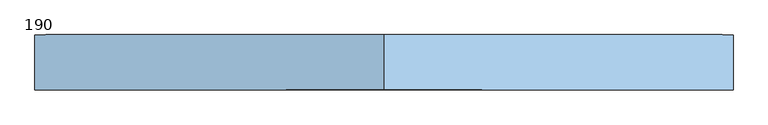
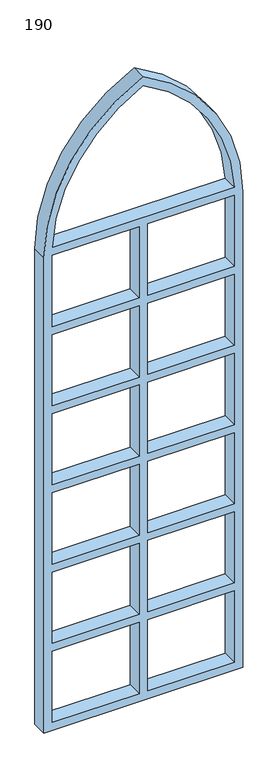
"""IFC4 building model written with IfcOpenShell, lengths in millimetres: window geometry, 190."""

from ifc_helpers import new_model, si_unit, point, frame, frame_2d, origin, place, context, project, spatial, polyline, circle_curve, trimmed, segment, composite_curve, outline, extrude, source, transform, mapped, element, save


def window_190_7ab5a630(model_context):
    return source(origin(), model_context, "Body", "SweptSolid", [
        extrude(outline(composite_curve([segment(trimmed(circle_curve(frame_2d((4804.5442476, 1114.4568414)), 1651.6252953), [point((6300.0, 413.4017732))], [point((4804.5442476, -537.1684538))], False, "CARTESIAN"), True, "CONTINUOUS"), segment(polyline([(4804.5442476, -537.1684538), (0.0, -537.1684538), (0.0, 1363.9720002), (800.0, 1363.9720002), (4804.5442476, 1363.9720002)]), True, "CONTINUOUS"), segment(trimmed(circle_curve(frame_2d((4804.5442476, -287.653295)), 1651.6252953), [point((4804.5442476, 1363.9720002))], [point((6300.0, 413.4017732))], False, "CARTESIAN"), True, "CONTINUOUS")], self_intersect=False), holes=[composite_curve([segment(trimmed(circle_curve(frame_2d((4804.5442476, -287.653295)), 1571.6252953), [point((6211.1457762, 413.4017732))], [point((4880.0, 1282.1595913))], True, "CARTESIAN"), True, "CONTINUOUS"), segment(polyline([(4880.0, 1282.1595913), (4880.0, -455.3560449)]), True, "CONTINUOUS"), segment(trimmed(circle_curve(frame_2d((4804.5442476, 1114.4568414)), 1571.6252953), [point((4880.0, -455.3560449))], [point((6211.1457762, 413.4017732))], True, "CARTESIAN"), True, "CONTINUOUS")], self_intersect=False), polyline([(80.0, 373.4017732), (80.0, -457.1684538), (800.0, -457.1684538), (800.0, 373.4017732), (80.0, 373.4017732)]), polyline([(800.0, 1283.9720002), (80.0, 1283.9720002), (80.0, 453.4017732), (800.0, 453.4017732), (800.0, 1283.9720002)]), polyline([(880.0, 373.4017732), (880.0, -457.1684538), (1600.0, -457.1684538), (1600.0, 373.4017732), (880.0, 373.4017732)]), polyline([(1600.0, 1283.9720002), (880.0, 1283.9720002), (880.0, 453.4017732), (1600.0, 453.4017732), (1600.0, 1283.9720002)]), polyline([(1680.0, 373.4017732), (1680.0, -457.1684538), (2400.0, -457.1684538), (2400.0, 373.4017732), (1680.0, 373.4017732)]), polyline([(2400.0, 1283.9720002), (1680.0, 1283.9720002), (1680.0, 453.4017732), (2400.0, 453.4017732), (2400.0, 1283.9720002)]), polyline([(2480.0, 373.4017732), (2480.0, -457.1684538), (3200.0, -457.1684538), (3200.0, 373.4017732), (2480.0, 373.4017732)]), polyline([(3200.0, 1283.9720002), (2480.0, 1283.9720002), (2480.0, 453.4017732), (3200.0, 453.4017732), (3200.0, 1283.9720002)]), polyline([(3280.0, 373.4017732), (3280.0, -457.1684538), (4000.0, -457.1684538), (4000.0, 373.4017732), (3280.0, 373.4017732)]), polyline([(4000.0, 1283.9720002), (3280.0, 1283.9720002), (3280.0, 453.4017732), (4000.0, 453.4017732), (4000.0, 1283.9720002)]), polyline([(4080.0, 373.4017732), (4080.0, -457.1684538), (4800.0, -457.1684538), (4800.0, 373.4017732), (4080.0, 373.4017732)]), polyline([(4800.0, 1283.9720002), (4080.0, 1283.9720002), (4080.0, 453.4017732), (4800.0, 453.4017732), (4800.0, 1283.9720002)])]), frame((0.0, 200.0, 0.0), z_axis=(0.0, 1.0, 0.0), x_axis=(0.0, 0.0, 1.0)), (0.0, 0.0, 1.0), 150.0),
    ])


if __name__ == "__main__":
    model = new_model("IFC4")
    model_context = context("Model", 3, world=origin())
    ifc_project = project(units=[si_unit("LENGTHUNIT", "METRE", prefix="MILLI")], contexts=[model_context])
    site = spatial("IfcSite", under=ifc_project)
    building = spatial("IfcBuilding", under=site)
    placement = place(None, origin())
    window_190_shape = window_190_7ab5a630(model_context)
    element("IfcWindow", 1, ObjectType="190", at=placement, inside=building, context=model_context, shape_type="MappedRepresentation", body=[
        mapped(window_190_shape, transform((0.0, 0.0, 0.0), x_axis=(1.0, 0.0, 0.0), y_axis=(0.0, 1.0, 0.0), z_axis=(0.0, 0.0, 1.0))),
    ])
    save(model, "model.ifc")
